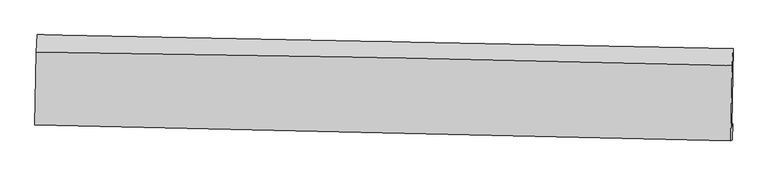
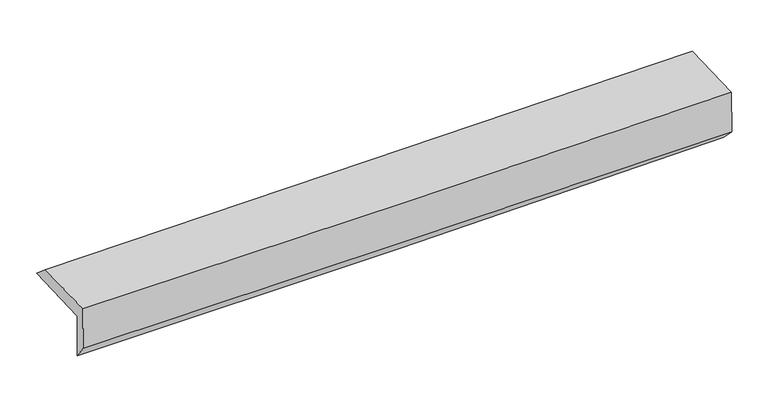
"""IFC4 building model written with IfcOpenShell, lengths in millimetres: proxy geometry."""

from ifc_helpers import new_model, si_unit, frame, origin, place, context, project, spatial, source, transform, mapped, element, save
from ifc_brep_helpers import plane_surface, spline_curve, spline_surface, advanced_brep


def generic_models_61a6de9a(model_context):
    return source(origin(), model_context, "Body", "AdvancedBrep", [
        advanced_brep(
        [(-3021.2707744, -1768.2545827, 1970.4701587), (-3007.9987203, -1083.9439192, 1976.9617012), (3009.3527171, -1203.4511997, 2110.4349297), (2996.2541513, -1879.6078952, 2103.3972548), (-3010.7013521, -1743.8951953, 1560.4225813), (3006.8062906, -1854.6708622, 1694.5126623), (-3016.35561, -1853.4864706, 1702.7699067), (3000.5846397, -1994.8318428, 1835.5338483), (-3026.3903756, -1863.205878, 2102.7687574), (2990.5498741, -2004.5512501, 2235.532699), (-3014.2091063, -1234.9288966, 2108.8922544), (3003.2155676, -1351.2889794, 2241.899715)],
        [
            (0, 1),
            (1, 2, spline_curve(3, [(-3007.9987203, -1083.9439192, 1976.9617012), (-2004.928386906, -1102.483749657, 1992.491193989), (-1001.940323142, -1121.712752367, 2011.378910147), (1003.843484911, -1161.548550696, 2055.870172037), (2006.639233604, -1182.155308193, 2081.473532304), (3009.3527171, -1203.4511997, 2110.4349297)], [4, 2, 4], [0.0, 9.875740382359059, 19.751207205324796])),
            (2, 3),
            (3, 0, spline_curve(3, [(2996.2541513, -1879.6078952, 2103.3972548), (1993.922061954, -1856.616477552, 2060.290655142), (991.302556165, -1835.841423804, 2027.660105586), (-1014.539069597, -1798.723530503, 1983.350492915), (-2017.76120593, -1782.380813103, 1971.672010628), (-3021.2707744, -1768.2545827, 1970.4701587)], [4, 2, 4], [0.0, 9.875466822965738, 19.751207205324796])),
            (4, 0),
            (3, 5),
            (5, 4, spline_curve(3, [(3006.8062906, -1854.6708622, 1694.5126623), (2004.389203267, -1831.668215519, 1654.868807278), (1001.728638101, -1810.93568293, 1623.872741548), (-1004.107229053, -1774.010335044, 1579.175568584), (-2007.282544963, -1757.817645312, 1565.474940825), (-3010.7013521, -1743.8951953, 1560.4225813)], [4, 2, 4], [0.0, 9.875698869263395, 19.751671304348005])),
            (6, 4),
            (5, 7),
            (7, 6, spline_curve(3, [(3000.5846397, -1994.8318428, 1835.5338483), (1997.926512983, -1970.516416275, 1806.731377986), (995.192708055, -1946.580080081, 1781.266588172), (-1010.454037788, -1899.464934962, 1737.011755887), (-2013.366982402, -1876.286147124, 1718.221898753), (-3016.35561, -1853.4864706, 1702.7699067)], [4, 2, 4], [0.0, 9.875413253699001, 19.751100065307405])),
            (8, 6),
            (7, 9),
            (9, 8, spline_curve(3, [(2990.5498741, -2004.5512501, 2235.532699), (1987.891747372, -1980.235823783, 2206.730228765), (985.15794234, -1956.29948748, 2181.265438808), (-1020.488803273, -1909.184342163, 2137.010606651), (-2023.401748243, -1886.0055546, 2118.220749404), (-3026.3903756, -1863.205878, 2102.7687574)], [4, 2, 4], [0.0, 9.875362099036382, 19.750997754565134])),
            (10, 8),
            (9, 11),
            (11, 10, spline_curve(3, [(3003.2155676, -1351.2889794, 2241.899715), (2000.638174964, -1322.809511219, 2213.137829619), (997.904370047, -1298.873174618, 2187.673039592), (-1007.903846216, -1260.086228973, 2143.337036742), (-2010.978265778, -1245.235870867, 2124.466006505), (-3014.2091063, -1234.9288966, 2108.8922544)], [4, 2, 4], [0.0, 9.87533732023245, 19.750948196270876])),
            (1, 10),
            (11, 2),
        ],
        [
            spline_surface(3, 3, [[(-3021.2707744, -1768.2545827, 1970.4701587), (-2017.761205886, -1782.380813196, 1971.672010528), (-1014.539069705, -1798.723530342, 1983.350493031), (991.302556273, -1835.841423965, 2027.660105469), (1993.922061989, -1856.616477658, 2060.290654991), (2996.2541513, -1879.6078952, 2103.3972548)], [(-3016.84675637, -1540.151028201, 1972.634006184), (-2013.483599559, -1555.748458675, 1978.611738331), (-1010.339487469, -1573.053271007, 1992.693298683), (995.482865813, -1611.077132868, 2037.063461041), (1998.161119138, -1631.796087818, 2067.351614088), (3000.62033988, -1654.22233003, 2105.743146403)], [(-3012.42273833, -1312.047473699, 1974.797853716), (-2009.205993222, -1329.11610415, 1985.551466181), (-1006.139905298, -1347.383011698, 2002.036104341), (999.66317529, -1386.312841798, 2046.46681662), (2002.400176349, -1406.975697989, 2074.412573274), (3004.98652852, -1428.83676487, 2108.089038097)], [(-3007.9987203, -1083.9439192, 1976.9617012), (-2004.928386894, -1102.483749629, 1992.491193983), (-1001.940323062, -1121.712752362, 2011.378909992), (1003.843484831, -1161.548550701, 2055.870172192), (2006.639233498, -1182.155308149, 2081.473532371), (3009.3527171, -1203.4511997, 2110.4349297)]], [4, 4], [4, 2, 4], [0.0, 2.2190077299433906], [0.0, 9.875740382359059, 19.751207205324796]),
            spline_surface(3, 3, [[(-3010.7013521, -1743.8951953, 1560.4225813), (-2007.282544912, -1757.817645155, 1565.474940914), (-1004.10722919, -1774.010334943, 1579.175568673), (1001.728638238, -1810.935683031, 1623.87274146), (2004.389203382, -1831.668215508, 1654.868807346), (3006.8062906, -1854.6708622, 1694.5126623)], [(-3014.224492843, -1752.014991104, 1697.105107125), (-2010.775431879, -1766.005367839, 1700.873964144), (-1007.584509384, -1782.248066751, 1713.900543462), (998.25327756, -1819.237596684, 1758.468529466), (2000.900156258, -1839.984302875, 1790.009423246), (3003.288910841, -1862.983206517, 1830.807526485)], [(-3017.747633657, -1760.134786896, 1833.787632875), (-2014.268318918, -1774.193090512, 1836.272987299), (-1011.06178951, -1790.485798534, 1848.625518242), (994.777916951, -1827.539510312, 1893.064317463), (1997.411109113, -1848.300390291, 1925.150039091), (2999.771531059, -1871.295550883, 1967.102390615)], [(-3021.2707744, -1768.2545827, 1970.4701587), (-2017.761205886, -1782.380813196, 1971.672010528), (-1014.539069705, -1798.723530342, 1983.350493031), (991.302556273, -1835.841423965, 2027.660105469), (1993.922061989, -1856.616477658, 2060.290654991), (2996.2541513, -1879.6078952, 2103.3972548)]], [4, 4], [4, 2, 4], [0.0, 1.3283352239988488], [0.0, 9.87597243508461, 19.751671304348005]),
            spline_surface(3, 3, [[(-3016.35561, -1853.4864706, 1702.7699067), (-2013.366982564, -1876.28614722, 1718.221898746), (-1010.454037723, -1899.464934995, 1737.011755972), (995.19270799, -1946.580080048, 1781.266588087), (1997.926513038, -1970.516416371, 1806.731378063), (3000.5846397, -1994.8318428, 1835.5338483)], [(-3014.470857371, -1816.956045487, 1655.320798228), (-2011.338836684, -1836.796646518, 1667.30624613), (-1008.338434856, -1857.646734991, 1684.399693517), (997.371351428, -1901.365281056, 1728.801972523), (2000.08074316, -1924.233682769, 1756.110521163), (3002.658523341, -1948.111515953, 1788.526786306)], [(-3012.586104729, -1780.425620413, 1607.871689772), (-2009.310690792, -1797.307145856, 1616.39059353), (-1006.222832057, -1815.828534947, 1631.787631128), (999.549994799, -1856.150482023, 1676.337357024), (2002.234973259, -1877.950949109, 1705.489664246), (3004.732406959, -1901.391189047, 1741.519724294)], [(-3010.7013521, -1743.8951953, 1560.4225813), (-2007.282544912, -1757.817645155, 1565.474940914), (-1004.10722919, -1774.010334943, 1579.175568673), (1001.728638238, -1810.935683031, 1623.87274146), (2004.389203382, -1831.668215508, 1654.868807346), (3006.8062906, -1854.6708622, 1694.5126623)]], [4, 4], [4, 2, 4], [0.0, 0.6717884928967383], [0.0, 9.875686811608404, 19.751100065307405]),
            spline_surface(3, 3, [[(-3026.3903756, -1863.205878, 2102.7687574), (-2023.401748164, -1886.00555462, 2118.220749446), (-1020.488803323, -1909.184342295, 2137.010606672), (985.15794239, -1956.299487348, 2181.265438787), (1987.891747438, -1980.235823671, 2206.730228763), (2990.5498741, -2004.5512501, 2235.532699)], [(-3023.045453734, -1859.966075552, 1969.435807165), (-2020.056826298, -1882.765752171, 1984.887799212), (-1017.143881456, -1905.944539846, 2003.677656437), (988.502864256, -1953.0596849, 2047.932488553), (1991.236669304, -1976.996021223, 2073.397278528), (2993.894795966, -2001.311447652, 2102.199748765)], [(-3019.700531866, -1856.726273048, 1836.102856935), (-2016.711904431, -1879.525949668, 1851.554848981), (-1013.798959589, -1902.704737443, 1870.344706206), (991.847786123, -1949.819882497, 1914.599538322), (1994.581591172, -1973.756218819, 1940.064328298), (2997.239717834, -1998.071645248, 1968.866798535)], [(-3016.35561, -1853.4864706, 1702.7699067), (-2013.366982564, -1876.28614722, 1718.221898746), (-1010.454037723, -1899.464934995, 1737.011755972), (995.19270799, -1946.580080048, 1781.266588087), (1997.926513038, -1970.516416371, 1806.731378063), (3000.5846397, -1994.8318428, 1835.5338483)]], [4, 4], [4, 2, 4], [0.0, 1.3131323205618695], [0.0, 9.875635655528752, 19.750997754565134]),
            spline_surface(3, 3, [[(-3014.2091063, -1234.9288966, 2108.8922544), (-2010.978265677, -1245.235870857, 2124.466006479), (-1007.903846062, -1260.086228815, 2143.337036743), (997.904369893, -1298.873174776, 2187.673039591), (2000.638174937, -1322.809511098, 2213.137829567), (3003.2155676, -1351.2889794, 2241.899715)], [(-3018.269529422, -1444.35455704, 2106.851088718), (-2015.119426528, -1458.825765417, 2122.384254119), (-1012.098831817, -1476.452266639, 2141.228226723), (993.655560723, -1518.015278964, 2185.53717266), (1996.389365767, -1541.951615287, 2211.001962636), (2998.993669763, -1569.043069631, 2239.777376337)], [(-3022.329952478, -1653.78021756, 2104.809923082), (-2019.260587313, -1672.415660059, 2120.302501807), (-1016.293817567, -1692.81830447, 2139.119416692), (989.406751559, -1737.15738316, 2183.401305718), (1992.140556608, -1761.093719482, 2208.866095694), (2994.771771937, -1786.797159869, 2237.655037663)], [(-3026.3903756, -1863.205878, 2102.7687574), (-2023.401748164, -1886.00555462, 2118.220749446), (-1020.488803323, -1909.184342295, 2137.010606672), (985.15794239, -1956.299487348, 2181.265438787), (1987.891747438, -1980.235823671, 2206.730228763), (2990.5498741, -2004.5512501, 2235.532699)]], [4, 4], [4, 2, 4], [0.0, 2.143752923775972], [0.0, 9.875610876038426, 19.750948196270876]),
            spline_surface(3, 3, [[(-3007.9987203, -1083.9439192, 1976.9617012), (-2004.928386894, -1102.483749629, 1992.491193983), (-1001.940323062, -1121.712752362, 2011.378909992), (1003.843484831, -1161.548550701, 2055.870172192), (2006.639233498, -1182.155308149, 2081.473532371), (3009.3527171, -1203.4511997, 2110.4349297)], [(-3010.068848961, -1134.272245017, 2020.93855228), (-2006.945013149, -1150.067790055, 2036.482798162), (-1003.928164081, -1167.837244518, 2055.364952262), (1001.863779833, -1207.323425398, 2099.804461344), (2004.638880654, -1229.040042483, 2125.36163144), (3007.307000609, -1252.730459617, 2154.256524804)], [(-3012.138977639, -1184.600570783, 2064.91540332), (-2008.961639422, -1197.65183043, 2080.474402301), (-1005.916005043, -1213.961736659, 2099.350994474), (999.884074891, -1253.098300079, 2143.738750439), (2002.638527781, -1275.924776765, 2169.249730497), (3005.261284091, -1302.009719483, 2198.078119896)], [(-3014.2091063, -1234.9288966, 2108.8922544), (-2010.978265677, -1245.235870857, 2124.466006479), (-1007.903846062, -1260.086228815, 2143.337036743), (997.904369893, -1298.873174776, 2187.673039591), (2000.638174937, -1322.809511098, 2213.137829567), (3003.2155676, -1351.2889794, 2241.899715)]], [4, 4], [4, 2, 4], [0.0, 0.6262043885824419], [0.0, 9.875598651977846, 19.750923748488322]),
            plane_surface(frame((3001.1272067, -1714.7336716, 2036.8851848), z_axis=(0.9995049068699671, -0.019618518282618687, 0.024597863387965293), x_axis=(0.025071699781760604, 0.02428378227740939, -0.9993906682515885))),
            plane_surface(frame((-3016.1543231, -1591.2858237, 1903.7142266), z_axis=(-0.9995049068699752, 0.019618518281860124, -0.024597863388245017), x_axis=(-0.01939026018352454, -0.9997670082513017, -0.009484040397263357))),
        ],
        [
            (0, [[1, 2, 3, 4]]),
            (1, [[5, -4, 6, 7]]),
            (2, [[8, -7, 9, 10]]),
            (3, [[11, -10, 12, 13]]),
            (4, [[14, -13, 15, 16]]),
            (5, [[17, -16, 18, -2]]),
            (6, [[-12, -9, -6, -3, -18, -15]]),
            (7, [[-1, -5, -8, -11, -14, -17]]),
        ],
    ),
    ])


if __name__ == "__main__":
    model = new_model("IFC4")
    model_context = context("Model", 3, world=origin())
    ifc_project = project(units=[si_unit("LENGTHUNIT", "METRE", prefix="MILLI")], contexts=[model_context])
    site = spatial("IfcSite", under=ifc_project)
    building = spatial("IfcBuilding", under=site)
    placement = place(None, origin())
    generic_models_shape = generic_models_61a6de9a(model_context)
    element("IfcBuildingElementProxy", 1, Name="Generic Models", at=placement, inside=building, context=model_context, shape_type="MappedRepresentation", body=[
        mapped(generic_models_shape, transform((0.0, 0.0, 0.0), x_axis=(1.0, 0.0, 0.0), y_axis=(0.0, 1.0, 0.0), z_axis=(0.0, 0.0, 1.0))),
    ])
    save(model, "model.ifc")
